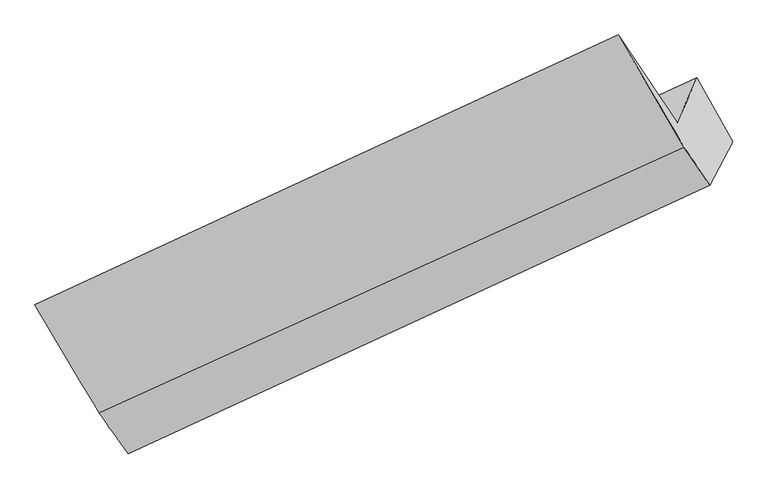
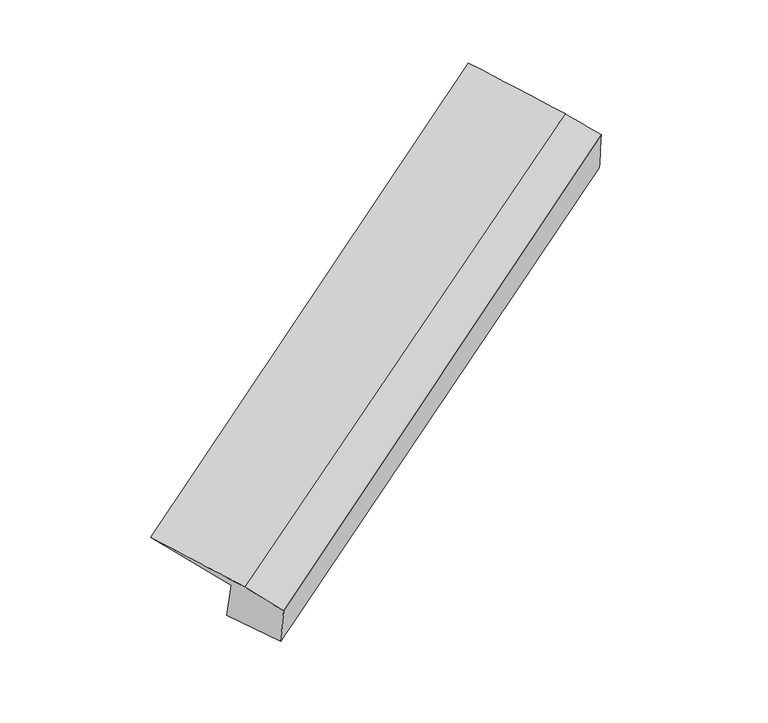
"""IFC4 building model written with IfcOpenShell, lengths in millimetres: proxy geometry."""

import ifcopenshell
import ifcopenshell.guid

model = None  # the IFC model being written
_history = None  # IfcOwnerHistory: only IFC2X3 demands one
_inside = {}  # id of a spatial element -> (the spatial element, [elements in it])
_under = {}  # id of a project, library or spatial element -> (it, [spatial elements below it])
_declared = {}  # id of a project -> (the project, [libraries it declares])
_typed = {}  # id of a type object -> (the type object, [elements of that type])
_made_of = {}  # id of a material, layer set ... -> (it, [elements and type objects made of it])


def new_model(schema):
    """Start an empty IFC model of exactly this schema.

    Asked for "IFC4X3", IfcOpenShell would pick the latest addendum, in which some entities
    have other attributes; the version numbers below select the first issue.
    IFC2X3 requires an IfcOwnerHistory on every rooted entity: one is made here for all.
    """
    global model, _history
    if schema == "IFC4X3":
        model = ifcopenshell.file(schema_version=(4, 3, 0, 0))
    else:
        model = ifcopenshell.file(schema=schema)
    _inside.clear()
    _under.clear()
    _declared.clear()
    _typed.clear()
    _made_of.clear()
    _history = None
    if model.schema == "IFC2X3":
        org = make("IfcOrganization", Name="unknown")
        user = make(
            "IfcPersonAndOrganization",
            ThePerson=make("IfcPerson", FamilyName="unknown"),
            TheOrganization=org,
        )
        app = make(
            "IfcApplication",
            ApplicationDeveloper=org,
            Version="unknown",
            ApplicationFullName="unknown",
            ApplicationIdentifier="unknown",
        )
        _history = make(
            "IfcOwnerHistory",
            OwningUser=user,
            OwningApplication=app,
            ChangeAction="ADDED",
            CreationDate=0,
        )
    return model


def make(cls, **values):
    """One entity of the class cls with the attributes given. An attribute that is None is left unset."""
    return model.create_entity(
        cls, **{name: value for name, value in values.items() if value is not None}
    )


def rooted(cls, **values):
    """An entity with a GlobalId (a new one), such as an element, a storey or a relation."""
    return make(cls, GlobalId=ifcopenshell.guid.new(), OwnerHistory=_history, **values)


def si_unit(unit_type, name, prefix=None):
    """IfcSIUnit, for example si_unit("LENGTHUNIT", "METRE", prefix="MILLI")."""
    return make("IfcSIUnit", UnitType=unit_type, Prefix=prefix, Name=name)


def assignment(units):
    """IfcUnitAssignment: the units of a project."""
    return None if units is None else make("IfcUnitAssignment", Units=units)


def point(xyz):
    """IfcCartesianPoint."""
    return None if xyz is None else make("IfcCartesianPoint", Coordinates=xyz)


def direction(xyz):
    """IfcDirection."""
    return None if xyz is None else make("IfcDirection", DirectionRatios=xyz)


def frame(location, z_axis=None, x_axis=None):
    """IfcAxis2Placement3D, a coordinate frame: its origin and axes. An axis left out is left unset."""
    return make(
        "IfcAxis2Placement3D",
        Location=point(location),
        Axis=direction(z_axis),
        RefDirection=direction(x_axis),
    )


def origin():
    """The frame at (0, 0, 0) with its axes left unset."""
    return frame((0.0, 0.0, 0.0))


def place(relative_to, where):
    """IfcLocalPlacement: puts the frame where relative to a parent placement (None: the world)."""
    return make(
        "IfcLocalPlacement", PlacementRelTo=relative_to, RelativePlacement=where
    )


def context(
    kind, dimensions, precision=None, world=None, true_north=None, identifier=None
):
    """IfcGeometricRepresentationContext, for example the 3D "Model" context."""
    return make(
        "IfcGeometricRepresentationContext",
        ContextIdentifier=identifier,
        ContextType=kind,
        CoordinateSpaceDimension=dimensions,
        Precision=precision,
        WorldCoordinateSystem=world,
        TrueNorth=true_north,
    )


def project(units=None, contexts=None):
    """IfcProject with its units and contexts."""
    return rooted(
        "IfcProject",
        Name="project",
        RepresentationContexts=contexts,
        UnitsInContext=assignment(units),
    )


def spatial(cls, under=None, at=None, **own):
    """A site, building, storey or space (cls), placed at a placement, below another one or the project."""
    s = rooted(cls, ObjectPlacement=at, **own)
    if under is not None:
        _under.setdefault(under.id(), (under, []))[1].append(s)
    return s


def shape(context_of_items, identifier, shape_type, items):
    """IfcShapeRepresentation: the items that make up one representation, for example the "Body"."""
    return make(
        "IfcShapeRepresentation",
        ContextOfItems=context_of_items,
        RepresentationIdentifier=identifier,
        RepresentationType=shape_type,
        Items=items,
    )


def source(mapping_origin, context_of_items, identifier, shape_type, items):
    """IfcRepresentationMap: a shape defined once, which mapped items show again and again."""
    return make(
        "IfcRepresentationMap",
        MappingOrigin=mapping_origin,
        MappedRepresentation=shape(context_of_items, identifier, shape_type, items),
    )


def transform(
    local_origin,
    x_axis=None,
    y_axis=None,
    z_axis=None,
    scale=None,
    scale2=None,
    scale3=None,
    uniform=True,
):
    """IfcCartesianTransformationOperator3D, or its non-uniform kind. x_axis, y_axis, z_axis: its Axis1, 2, 3."""
    if uniform:
        return make(
            "IfcCartesianTransformationOperator3D",
            Axis1=direction(x_axis),
            Axis2=direction(y_axis),
            LocalOrigin=point(local_origin),
            Scale=scale,
            Axis3=direction(z_axis),
        )
    return make(
        "IfcCartesianTransformationOperator3DnonUniform",
        Axis1=direction(x_axis),
        Axis2=direction(y_axis),
        LocalOrigin=point(local_origin),
        Scale=scale,
        Axis3=direction(z_axis),
        Scale2=scale2,
        Scale3=scale3,
    )


def mapped(mapping_source, mapping_target):
    """IfcMappedItem: shows the shape of a source again, moved by a transform."""
    return make(
        "IfcMappedItem", MappingSource=mapping_source, MappingTarget=mapping_target
    )


def made_of(thing, what):
    """Note that an element or type object is made of a material, layer set ...; save() writes the relation."""
    if what is not None:
        _made_of.setdefault(what.id(), (what, []))[1].append(thing)
    return thing


def element(
    cls,
    number,
    at=None,
    inside=None,
    cuts=None,
    type_object=None,
    material=None,
    context=None,
    identifier="Body",
    shape_type=None,
    held_by="IfcProductDefinitionShape",
    body=None,
    shapes=None,
    **own,
):
    """One element of the class cls, such as IfcWall. Its Tag is "e" and its number.

    at: its placement. inside: the storey or other place that contains it. cuts: it is an
    opening in that element (IfcRelVoidsElement). A single representation is given by context,
    identifier, shape_type and body (its items); several are given by shapes. held_by: the class
    of the entity that holds the representations. save() writes the other relations.
    """
    e = rooted(cls, Tag="e%d" % number, ObjectPlacement=at, **own)
    if body is not None:
        shapes = [shape(context, identifier, shape_type, body)]
    if shapes is not None:
        e.Representation = make(held_by, Representations=shapes)
    if inside is not None:
        _inside.setdefault(inside.id(), (inside, []))[1].append(e)
    if cuts is not None:
        rooted(
            "IfcRelVoidsElement", RelatingBuildingElement=cuts, RelatedOpeningElement=e
        )
    if type_object is not None:
        _typed.setdefault(type_object.id(), (type_object, []))[1].append(e)
    return made_of(e, material)


def aggregate(whole, parts):
    """IfcRelAggregates: a whole, such as a stair, and the parts it consists of."""
    return rooted("IfcRelAggregates", RelatingObject=whole, RelatedObjects=parts)


def save(model, path):
    """Write the relations noted so far, then the file.

    IfcRelAggregates (storeys below a building ...), IfcRelContainedInSpatialStructure (elements
    in a storey), IfcRelDefinesByType, IfcRelAssociatesMaterial and IfcRelDeclares: one each for
    every whole, place, type object, material and project.
    """
    for whole, parts in _under.values():
        aggregate(whole, parts)
    for where, things in _inside.values():
        rooted(
            "IfcRelContainedInSpatialStructure",
            RelatedElements=things,
            RelatingStructure=where,
        )
    for kind, things in _typed.values():
        rooted("IfcRelDefinesByType", RelatedObjects=things, RelatingType=kind)
    for what, things in _made_of.values():
        rooted("IfcRelAssociatesMaterial", RelatedObjects=things, RelatingMaterial=what)
    for by, libraries in _declared.values():
        rooted("IfcRelDeclares", RelatingContext=by, RelatedDefinitions=libraries)
    model.write(path)


def plane_surface(at):
    """IfcPlane: the flat surface through the origin of the frame at, square to its z axis."""
    return make("IfcPlane", Position=at)


def spline_surface(u_degree, v_degree, points, u_multiplicities, v_multiplicities, u_knots, v_knots, weights=None):
    """IfcBSplineSurfaceWithKnots; with weights, IfcRationalBSplineSurfaceWithKnots. points: one row for each step in u."""
    own = dict(
        UDegree=u_degree,
        VDegree=v_degree,
        ControlPointsList=[[point(p) for p in row] for row in points],
        SurfaceForm="UNSPECIFIED",
        UClosed=False,
        VClosed=False,
        SelfIntersect=False,
        UMultiplicities=u_multiplicities,
        VMultiplicities=v_multiplicities,
        UKnots=u_knots,
        VKnots=v_knots,
        KnotSpec="UNSPECIFIED",
    )
    if weights is None:
        return make("IfcBSplineSurfaceWithKnots", **own)
    return make("IfcRationalBSplineSurfaceWithKnots", WeightsData=weights, **own)


def advanced_brep(points, edges, surfaces, faces):
    """IfcAdvancedBrep: a solid bounded by faces that lie on surfaces and meet in shared edges.

    An edge is (start, end): straight between two places in points (the first is 0);
    or (start, end, curve); or (start, end, curve, False) where it runs against its curve.
    A face is (place in surfaces, loops), or (place, loops, False) where it looks against
    its surface's normal. A loop lists edges by number (the first is 1), with a minus sign
    where the edge is run from its end to its start. The first loop is the outer one.
    """
    corners = [point(p) for p in points]
    vertices = [make("IfcVertexPoint", VertexGeometry=c) for c in corners]
    made = []
    for start, end, *more in edges:
        made.append(
            make(
                "IfcEdgeCurve",
                EdgeStart=vertices[start],
                EdgeEnd=vertices[end],
                EdgeGeometry=more[0] if more else make("IfcPolyline", Points=[corners[start], corners[end]]),
                SameSense=more[1] if len(more) > 1 else True,
            )
        )
    hull = []
    for where, loops, *sense in faces:
        bounds = []
        for j, loop in enumerate(loops):
            ring = [make("IfcOrientedEdge", EdgeElement=made[abs(k) - 1], Orientation=k > 0) for k in loop]
            bounds.append(
                make(
                    "IfcFaceOuterBound" if j == 0 else "IfcFaceBound",
                    Bound=make("IfcEdgeLoop", EdgeList=ring),
                    Orientation=True,
                )
            )
        hull.append(make("IfcAdvancedFace", Bounds=bounds, FaceSurface=surfaces[where], SameSense=sense[0] if sense else True))
    return make("IfcAdvancedBrep", Outer=make("IfcClosedShell", CfsFaces=hull))


def generic_models_f494c80b(model_context):
    return source(origin(), model_context, "Body", "AdvancedBrep", [
        advanced_brep(
        [(-4946.9350843, -2199.6386072, 371.044036), (-5095.8646745, -2532.9062543, 941.7609248), (-764.7297658, -542.433113, 3230.3983059), (-616.9646849, -211.2088136, 2662.7656976), (-5532.9049188, -1895.8784762, 1216.6918854), (-1202.5296114, 107.4320721, 3495.639606), (-5057.1870119, -2695.439903, 1009.4446958), (-714.0814757, -724.2668351, 3292.3292457), (-4840.9366266, -2998.9212439, 863.2447655), (-522.2148501, -1009.0715043, 3176.086735), (-4685.2450606, -2679.4897291, 291.7237904), (-352.6373976, -686.8208026, 2574.9147436)],
        [
            (0, 1),
            (1, 2),
            (2, 3),
            (3, 0),
            (1, 4),
            (4, 5),
            (5, 2),
            (4, 6),
            (6, 7),
            (7, 5),
            (6, 8),
            (8, 9),
            (9, 7),
            (8, 10),
            (10, 11),
            (11, 9),
            (10, 0),
            (3, 11),
        ],
        [
            spline_surface(1, 1, [[(-4946.9350843, -2199.6386072, 371.044036), (-616.9646849, -211.2088136, 2662.7656976)], [(-5095.8646745, -2532.9062543, 941.7609248), (-764.7297658, -542.433113, 3230.3983059)]], [2, 2], [2, 2], [0.0, 1.0], [0.0, 1.0]),
            spline_surface(1, 1, [[(-5095.8646745, -2532.9062543, 941.7609248), (-764.7297658, -542.433113, 3230.3983059)], [(-5532.9049188, -1895.8784762, 1216.6918854), (-1202.5296114, 107.4320721, 3495.639606)]], [2, 2], [2, 2], [0.0, 1.0], [0.0, 1.0]),
            spline_surface(1, 1, [[(-5532.9049188, -1895.8784762, 1216.6918854), (-1202.5296114, 107.4320721, 3495.639606)], [(-5057.1870119, -2695.439903, 1009.4446958), (-714.0814757, -724.2668351, 3292.3292457)]], [2, 2], [2, 2], [0.0, 1.0], [0.0, 1.0]),
            spline_surface(1, 1, [[(-5057.1870119, -2695.439903, 1009.4446958), (-714.0814757, -724.2668351, 3292.3292457)], [(-4840.9366266, -2998.9212439, 863.2447655), (-522.2148501, -1009.0715043, 3176.086735)]], [2, 2], [2, 2], [0.0, 1.0], [0.0, 1.0]),
            spline_surface(1, 1, [[(-4840.9366266, -2998.9212439, 863.2447655), (-522.2148501, -1009.0715043, 3176.086735)], [(-4685.2450606, -2679.4897291, 291.7237904), (-352.6373976, -686.8208026, 2574.9147436)]], [2, 2], [2, 2], [0.0, 1.0], [0.0, 1.0]),
            spline_surface(1, 1, [[(-4685.2450606, -2679.4897291, 291.7237904), (-352.6373976, -686.8208026, 2574.9147436)], [(-4946.9350843, -2199.6386072, 371.044036), (-616.9646849, -211.2088136, 2662.7656976)]], [2, 2], [2, 2], [0.0, 1.0], [0.0, 1.0]),
            plane_surface(frame((-695.5262976, -511.0614994, 3072.022389), z_axis=(0.8196367337215016, 0.3756261759510553, 0.4325512694175515), x_axis=(0.24126833579486454, 0.45848601572018505, -0.8553245954208301))),
            plane_surface(frame((-5026.5122295, -2500.3790356, 782.3183496), z_axis=(-0.819510998405725, -0.3753445722836409, -0.4330336887001546), x_axis=(0.47382236416153467, -0.8688301898046075, -0.14361917874874391))),
        ],
        [
            (0, [[1, 2, 3, 4]]),
            (1, [[5, 6, 7, -2]]),
            (2, [[8, 9, 10, -6]]),
            (3, [[11, 12, 13, -9]]),
            (4, [[14, 15, 16, -12]]),
            (5, [[17, -4, 18, -15]]),
            (6, [[-16, -18, -3, -7, -10, -13]]),
            (7, [[-17, -14, -11, -8, -5, -1]]),
        ],
    ),
    ])


if __name__ == "__main__":
    model = new_model("IFC4")
    model_context = context("Model", 3, world=origin())
    ifc_project = project(units=[si_unit("LENGTHUNIT", "METRE", prefix="MILLI")], contexts=[model_context])
    site = spatial("IfcSite", under=ifc_project)
    building = spatial("IfcBuilding", under=site)
    placement = place(None, origin())
    generic_models_shape = generic_models_f494c80b(model_context)
    element("IfcBuildingElementProxy", 1, Name="Generic Models", at=placement, inside=building, context=model_context, shape_type="MappedRepresentation", body=[
        mapped(generic_models_shape, transform((0.0, 0.0, 0.0), x_axis=(1.0, 0.0, 0.0), y_axis=(0.0, 1.0, 0.0), z_axis=(0.0, 0.0, 1.0))),
    ])
    save(model, "model.ifc")
